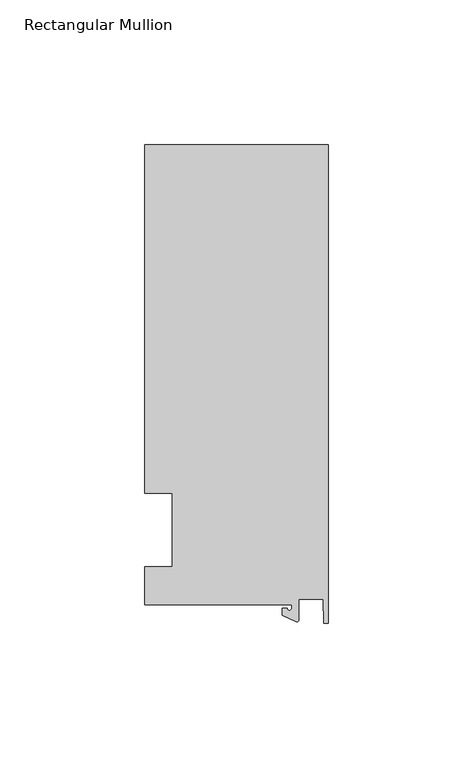
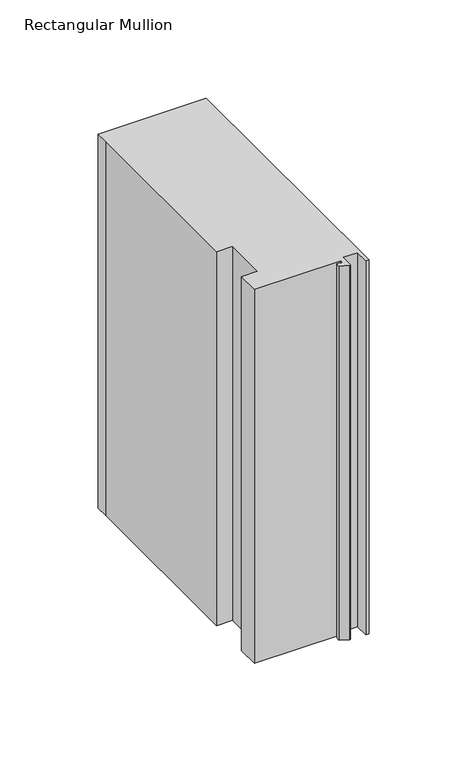
"""IFC4 building model written with IfcOpenShell, lengths in millimetres: member geometry, Rectangular Mullion."""

from ifc_helpers import new_model, si_unit, point, frame, frame_2d, origin, place, context, project, spatial, polyline, circle_curve, trimmed, segment, composite_curve, outline, extrude, source, transform, mapped, element, save


def rectangular_mullion_2f5d277d(model_context):
    return source(origin(), model_context, "Body", "SweptSolid", [
        extrude(outline(composite_curve([segment(polyline([(-12.6173814, -25.796875), (-63.5, -25.796875), (-63.5, -12.7), (-53.975, -12.7), (-53.975, 12.7), (-63.5, 12.7), (-63.5, 125.8114907), (-63.5, 133.34365), (0.0, 133.34365), (0.0, -32.288874), (-1.5658966, -32.288874), (-1.7144124, -23.9227662), (-10.2297814, -23.9227662), (-10.2297814, -31.2414327)]), True, "CONTINUOUS"), segment(trimmed(circle_curve(frame_2d((-10.7377814, -31.2414327)), 0.508), [point((-10.2297814, -31.2414327))], [point((-10.9524715, -31.7018371))], False, "CARTESIAN"), True, "CONTINUOUS"), segment(polyline([(-10.9524715, -31.7018371), (-15.7923814, -29.44495), (-15.7923814, -27.0827507), (-14.2048814, -27.0827507)]), True, "CONTINUOUS"), segment(trimmed(circle_curve(frame_2d((-13.4111314, -27.0827507)), 0.79375), [point((-14.2048814, -27.0827507))], [point((-12.6173814, -27.0827507))], True, "CARTESIAN"), True, "CONTINUOUS"), segment(polyline([(-12.6173814, -27.0827507), (-12.6173814, -25.796875)]), True, "CONTINUOUS")], self_intersect=False)), frame((0.0, 0.0, -232.416413), z_axis=(0.0, 0.0, 1.0), x_axis=(1.0, 0.0, 0.0)), (0.0, 0.0, 1.0), 232.416413),
    ])


if __name__ == "__main__":
    model = new_model("IFC4")
    model_context = context("Model", 3, world=origin())
    ifc_project = project(units=[si_unit("LENGTHUNIT", "METRE", prefix="MILLI")], contexts=[model_context])
    site = spatial("IfcSite", under=ifc_project)
    building = spatial("IfcBuilding", under=site)
    placement = place(None, origin())
    rectangular_mullion_shape = rectangular_mullion_2f5d277d(model_context)
    element("IfcMember", 1, ObjectType="Rectangular Mullion", at=placement, inside=building, context=model_context, shape_type="MappedRepresentation", body=[
        mapped(rectangular_mullion_shape, transform((0.0, 0.0, 0.0), x_axis=(1.0, 0.0, 0.0), y_axis=(0.0, 1.0, 0.0), z_axis=(0.0, 0.0, 1.0))),
    ])
    save(model, "model.ifc")
